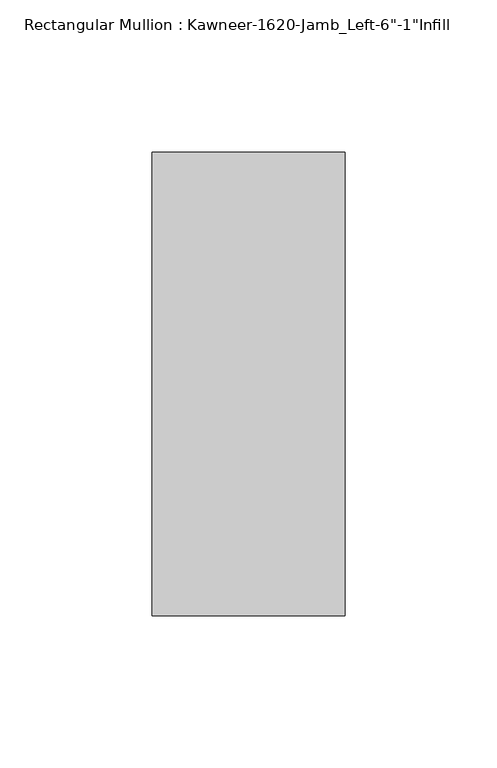
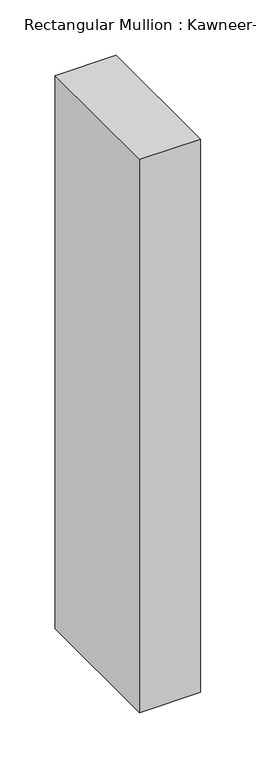
"""IFC4 building model written with IfcOpenShell, lengths in millimetres: member geometry."""

from ifc_helpers import new_model, si_unit, frame, origin, place, context, project, spatial, polyline, outline, extrude, source, transform, mapped, element, save


def member_d4d851d2(model_context):
    return source(origin(), model_context, "Body", "SweptSolid", [
        extrude(outline(polyline([(-63.5, 38.1), (0.0, 38.1), (0.0, -114.3), (-63.5, -114.3), (-63.5, 38.1)])), frame((0.0, 0.0, -609.6), z_axis=(0.0, 0.0, 1.0), x_axis=(1.0, 0.0, 0.0)), (0.0, 0.0, 1.0), 609.6),
    ])


if __name__ == "__main__":
    model = new_model("IFC4")
    model_context = context("Model", 3, world=origin())
    ifc_project = project(units=[si_unit("LENGTHUNIT", "METRE", prefix="MILLI")], contexts=[model_context])
    site = spatial("IfcSite", under=ifc_project)
    building = spatial("IfcBuilding", under=site)
    placement = place(None, origin())
    member_shape = member_d4d851d2(model_context)
    element("IfcMember", 1, ObjectType="Rectangular Mullion : Kawneer-1620-Jamb_Left-6\"-1\"Infill", at=placement, inside=building, context=model_context, shape_type="MappedRepresentation", body=[
        mapped(member_shape, transform((0.0, 0.0, 0.0), x_axis=(1.0, 0.0, 0.0), y_axis=(0.0, 1.0, 0.0), z_axis=(0.0, 0.0, 1.0))),
    ])
    save(model, "model.ifc")
